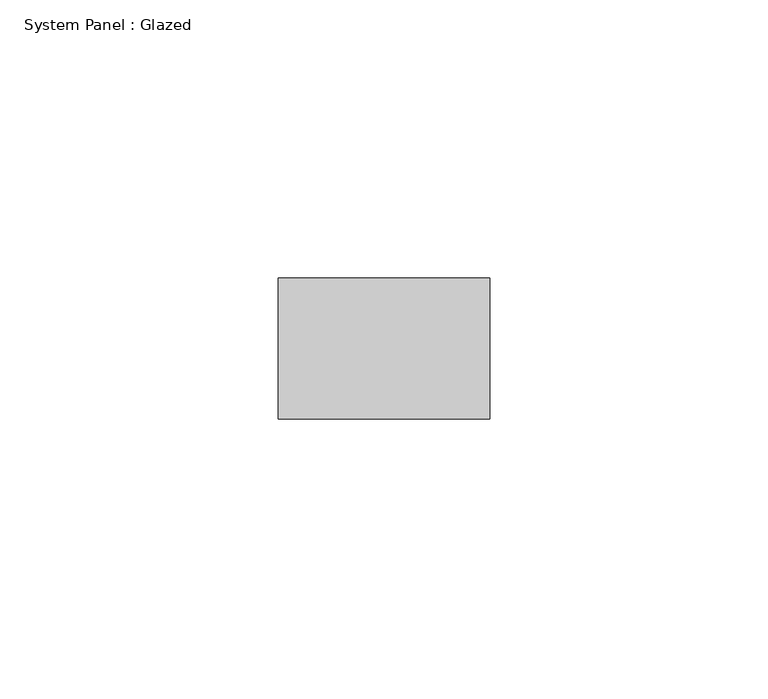
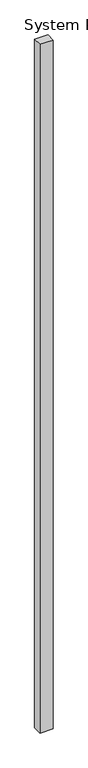
"""IFC4 building model written with IfcOpenShell, lengths in millimetres: plate geometry, System Panel : Glazed."""

import ifcopenshell
import ifcopenshell.guid

model = None  # the IFC model being written
_history = None  # IfcOwnerHistory: only IFC2X3 demands one
_inside = {}  # id of a spatial element -> (the spatial element, [elements in it])
_under = {}  # id of a project, library or spatial element -> (it, [spatial elements below it])
_declared = {}  # id of a project -> (the project, [libraries it declares])
_typed = {}  # id of a type object -> (the type object, [elements of that type])
_made_of = {}  # id of a material, layer set ... -> (it, [elements and type objects made of it])


def new_model(schema):
    """Start an empty IFC model of exactly this schema.

    Asked for "IFC4X3", IfcOpenShell would pick the latest addendum, in which some entities
    have other attributes; the version numbers below select the first issue.
    IFC2X3 requires an IfcOwnerHistory on every rooted entity: one is made here for all.
    """
    global model, _history
    if schema == "IFC4X3":
        model = ifcopenshell.file(schema_version=(4, 3, 0, 0))
    else:
        model = ifcopenshell.file(schema=schema)
    _inside.clear()
    _under.clear()
    _declared.clear()
    _typed.clear()
    _made_of.clear()
    _history = None
    if model.schema == "IFC2X3":
        org = make("IfcOrganization", Name="unknown")
        user = make(
            "IfcPersonAndOrganization",
            ThePerson=make("IfcPerson", FamilyName="unknown"),
            TheOrganization=org,
        )
        app = make(
            "IfcApplication",
            ApplicationDeveloper=org,
            Version="unknown",
            ApplicationFullName="unknown",
            ApplicationIdentifier="unknown",
        )
        _history = make(
            "IfcOwnerHistory",
            OwningUser=user,
            OwningApplication=app,
            ChangeAction="ADDED",
            CreationDate=0,
        )
    return model


def make(cls, **values):
    """One entity of the class cls with the attributes given. An attribute that is None is left unset."""
    return model.create_entity(
        cls, **{name: value for name, value in values.items() if value is not None}
    )


def rooted(cls, **values):
    """An entity with a GlobalId (a new one), such as an element, a storey or a relation."""
    return make(cls, GlobalId=ifcopenshell.guid.new(), OwnerHistory=_history, **values)


def si_unit(unit_type, name, prefix=None):
    """IfcSIUnit, for example si_unit("LENGTHUNIT", "METRE", prefix="MILLI")."""
    return make("IfcSIUnit", UnitType=unit_type, Prefix=prefix, Name=name)


def assignment(units):
    """IfcUnitAssignment: the units of a project."""
    return None if units is None else make("IfcUnitAssignment", Units=units)


def point(xyz):
    """IfcCartesianPoint."""
    return None if xyz is None else make("IfcCartesianPoint", Coordinates=xyz)


def direction(xyz):
    """IfcDirection."""
    return None if xyz is None else make("IfcDirection", DirectionRatios=xyz)


def frame(location, z_axis=None, x_axis=None):
    """IfcAxis2Placement3D, a coordinate frame: its origin and axes. An axis left out is left unset."""
    return make(
        "IfcAxis2Placement3D",
        Location=point(location),
        Axis=direction(z_axis),
        RefDirection=direction(x_axis),
    )


def origin():
    """The frame at (0, 0, 0) with its axes left unset."""
    return frame((0.0, 0.0, 0.0))


def origin_with_axes():
    """The frame at (0, 0, 0) with the z axis (0, 0, 1) and the x axis (1, 0, 0) written out."""
    return frame((0.0, 0.0, 0.0), z_axis=(0.0, 0.0, 1.0), x_axis=(1.0, 0.0, 0.0))


def place(relative_to, where):
    """IfcLocalPlacement: puts the frame where relative to a parent placement (None: the world)."""
    return make(
        "IfcLocalPlacement", PlacementRelTo=relative_to, RelativePlacement=where
    )


def context(
    kind, dimensions, precision=None, world=None, true_north=None, identifier=None
):
    """IfcGeometricRepresentationContext, for example the 3D "Model" context."""
    return make(
        "IfcGeometricRepresentationContext",
        ContextIdentifier=identifier,
        ContextType=kind,
        CoordinateSpaceDimension=dimensions,
        Precision=precision,
        WorldCoordinateSystem=world,
        TrueNorth=true_north,
    )


def project(units=None, contexts=None):
    """IfcProject with its units and contexts."""
    return rooted(
        "IfcProject",
        Name="project",
        RepresentationContexts=contexts,
        UnitsInContext=assignment(units),
    )


def spatial(cls, under=None, at=None, **own):
    """A site, building, storey or space (cls), placed at a placement, below another one or the project."""
    s = rooted(cls, ObjectPlacement=at, **own)
    if under is not None:
        _under.setdefault(under.id(), (under, []))[1].append(s)
    return s


def polyline(points):
    """IfcPolyline through the points."""
    return make("IfcPolyline", Points=[point(p) for p in points])


def outline(outer, holes=None, kind="AREA"):
    """IfcArbitraryClosedProfileDef: a profile drawn as a closed curve; with holes, ...WithVoids."""
    if holes is None:
        return make("IfcArbitraryClosedProfileDef", ProfileType=kind, OuterCurve=outer)
    return make(
        "IfcArbitraryProfileDefWithVoids",
        ProfileType=kind,
        OuterCurve=outer,
        InnerCurves=holes,
    )


def extrude(swept, where, along, depth):
    """IfcExtrudedAreaSolid: the profile swept, set in the frame where, extruded along a direction by depth."""
    return make(
        "IfcExtrudedAreaSolid",
        SweptArea=swept,
        Position=where,
        ExtrudedDirection=direction(along),
        Depth=depth,
    )


def shape(context_of_items, identifier, shape_type, items):
    """IfcShapeRepresentation: the items that make up one representation, for example the "Body"."""
    return make(
        "IfcShapeRepresentation",
        ContextOfItems=context_of_items,
        RepresentationIdentifier=identifier,
        RepresentationType=shape_type,
        Items=items,
    )


def source(mapping_origin, context_of_items, identifier, shape_type, items):
    """IfcRepresentationMap: a shape defined once, which mapped items show again and again."""
    return make(
        "IfcRepresentationMap",
        MappingOrigin=mapping_origin,
        MappedRepresentation=shape(context_of_items, identifier, shape_type, items),
    )


def transform(
    local_origin,
    x_axis=None,
    y_axis=None,
    z_axis=None,
    scale=None,
    scale2=None,
    scale3=None,
    uniform=True,
):
    """IfcCartesianTransformationOperator3D, or its non-uniform kind. x_axis, y_axis, z_axis: its Axis1, 2, 3."""
    if uniform:
        return make(
            "IfcCartesianTransformationOperator3D",
            Axis1=direction(x_axis),
            Axis2=direction(y_axis),
            LocalOrigin=point(local_origin),
            Scale=scale,
            Axis3=direction(z_axis),
        )
    return make(
        "IfcCartesianTransformationOperator3DnonUniform",
        Axis1=direction(x_axis),
        Axis2=direction(y_axis),
        LocalOrigin=point(local_origin),
        Scale=scale,
        Axis3=direction(z_axis),
        Scale2=scale2,
        Scale3=scale3,
    )


def mapped(mapping_source, mapping_target):
    """IfcMappedItem: shows the shape of a source again, moved by a transform."""
    return make(
        "IfcMappedItem", MappingSource=mapping_source, MappingTarget=mapping_target
    )


def made_of(thing, what):
    """Note that an element or type object is made of a material, layer set ...; save() writes the relation."""
    if what is not None:
        _made_of.setdefault(what.id(), (what, []))[1].append(thing)
    return thing


def element(
    cls,
    number,
    at=None,
    inside=None,
    cuts=None,
    type_object=None,
    material=None,
    context=None,
    identifier="Body",
    shape_type=None,
    held_by="IfcProductDefinitionShape",
    body=None,
    shapes=None,
    **own,
):
    """One element of the class cls, such as IfcWall. Its Tag is "e" and its number.

    at: its placement. inside: the storey or other place that contains it. cuts: it is an
    opening in that element (IfcRelVoidsElement). A single representation is given by context,
    identifier, shape_type and body (its items); several are given by shapes. held_by: the class
    of the entity that holds the representations. save() writes the other relations.
    """
    e = rooted(cls, Tag="e%d" % number, ObjectPlacement=at, **own)
    if body is not None:
        shapes = [shape(context, identifier, shape_type, body)]
    if shapes is not None:
        e.Representation = make(held_by, Representations=shapes)
    if inside is not None:
        _inside.setdefault(inside.id(), (inside, []))[1].append(e)
    if cuts is not None:
        rooted(
            "IfcRelVoidsElement", RelatingBuildingElement=cuts, RelatedOpeningElement=e
        )
    if type_object is not None:
        _typed.setdefault(type_object.id(), (type_object, []))[1].append(e)
    return made_of(e, material)


def aggregate(whole, parts):
    """IfcRelAggregates: a whole, such as a stair, and the parts it consists of."""
    return rooted("IfcRelAggregates", RelatingObject=whole, RelatedObjects=parts)


def save(model, path):
    """Write the relations noted so far, then the file.

    IfcRelAggregates (storeys below a building ...), IfcRelContainedInSpatialStructure (elements
    in a storey), IfcRelDefinesByType, IfcRelAssociatesMaterial and IfcRelDeclares: one each for
    every whole, place, type object, material and project.
    """
    for whole, parts in _under.values():
        aggregate(whole, parts)
    for where, things in _inside.values():
        rooted(
            "IfcRelContainedInSpatialStructure",
            RelatedElements=things,
            RelatingStructure=where,
        )
    for kind, things in _typed.values():
        rooted("IfcRelDefinesByType", RelatedObjects=things, RelatingType=kind)
    for what, things in _made_of.values():
        rooted("IfcRelAssociatesMaterial", RelatedObjects=things, RelatingMaterial=what)
    for by, libraries in _declared.values():
        rooted("IfcRelDeclares", RelatingContext=by, RelatedDefinitions=libraries)
    model.write(path)


def system_panel_glazed_ae72cc78(model_context):
    return source(origin(), model_context, "Body", "SweptSolid", [
        extrude(outline(polyline([(19.05, -44.45), (-19.05, -44.45), (-19.05, -19.05), (19.05, -19.05), (19.05, -44.45)])), origin_with_axes(), (0.0, 0.0, 1.0), 2076.45),
    ])


if __name__ == "__main__":
    model = new_model("IFC4")
    model_context = context("Model", 3, world=origin())
    ifc_project = project(units=[si_unit("LENGTHUNIT", "METRE", prefix="MILLI")], contexts=[model_context])
    site = spatial("IfcSite", under=ifc_project)
    building = spatial("IfcBuilding", under=site)
    placement = place(None, origin())
    system_panel_glazed_shape = system_panel_glazed_ae72cc78(model_context)
    element("IfcPlate", 1, ObjectType="System Panel : Glazed", at=placement, inside=building, context=model_context, shape_type="MappedRepresentation", body=[
        mapped(system_panel_glazed_shape, transform((0.0, 0.0, 0.0), x_axis=(1.0, 0.0, 0.0), y_axis=(0.0, 1.0, 0.0), z_axis=(0.0, 0.0, 1.0))),
    ])
    save(model, "model.ifc")
